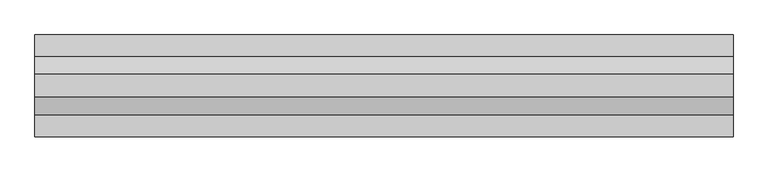
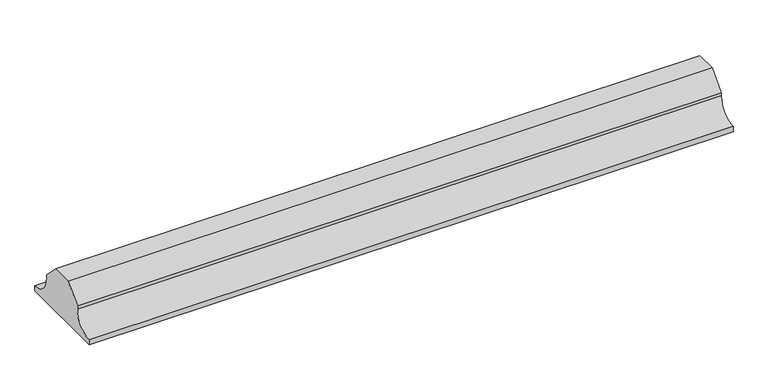
"""IFC4 building model written with IfcOpenShell, lengths in millimetres: proxy geometry."""

from ifc_helpers import new_model, si_unit, point, frame, frame_2d, origin, place, context, project, spatial, polyline, circle_curve, trimmed, segment, composite_curve, outline, extrude, source, transform, mapped, element, save


def generic_models_3047417f(model_context):
    return source(origin(), model_context, "Body", "SweptSolid", [
        extrude(outline(composite_curve([segment(polyline([(-1144.7856698, 148.6), (-1065.3223642, 148.6), (-1005.0540188, 88.3316546), (-1005.0540188, 75.0)]), True, "CONTINUOUS"), segment(trimmed(circle_curve(frame_2d((-930.0540188, 75.0)), 75.0), [point((-1005.0540188, 75.0))], [point((-930.0540188, 0.0))], True, "CARTESIAN"), True, "CONTINUOUS"), segment(polyline([(-930.0540188, 0.0), (-930.0540188, -20.0), (-1280.0540151, -20.0), (-1280.0540151, 0.0)]), True, "CONTINUOUS"), segment(trimmed(circle_curve(frame_2d((-1280.0540151, 75.0)), 75.0), [point((-1280.0540151, 0.0))], [point((-1205.0540151, 75.0))], True, "CARTESIAN"), True, "CONTINUOUS"), segment(polyline([(-1205.0540151, 75.0), (-1205.0540151, 88.3316546), (-1144.7856698, 148.6)]), True, "CONTINUOUS")], self_intersect=False)), frame((6897.6420344, 0.0, 0.0), z_axis=(1.0, 0.0, 0.0), x_axis=(0.0, 1.0, 0.0)), (0.0, 0.0, 1.0), 2400.0),
    ])


if __name__ == "__main__":
    model = new_model("IFC4")
    model_context = context("Model", 3, world=origin())
    ifc_project = project(units=[si_unit("LENGTHUNIT", "METRE", prefix="MILLI")], contexts=[model_context])
    site = spatial("IfcSite", under=ifc_project)
    building = spatial("IfcBuilding", under=site)
    placement = place(None, origin())
    generic_models_shape = generic_models_3047417f(model_context)
    element("IfcBuildingElementProxy", 1, Name="Generic Models", at=placement, inside=building, context=model_context, shape_type="MappedRepresentation", body=[
        mapped(generic_models_shape, transform((0.0, 0.0, 0.0), x_axis=(1.0, 0.0, 0.0), y_axis=(0.0, 1.0, 0.0), z_axis=(0.0, 0.0, 1.0))),
    ])
    save(model, "model.ifc")
